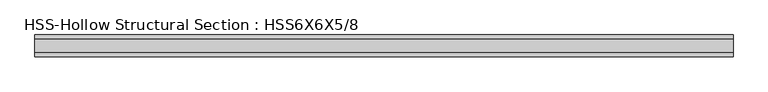
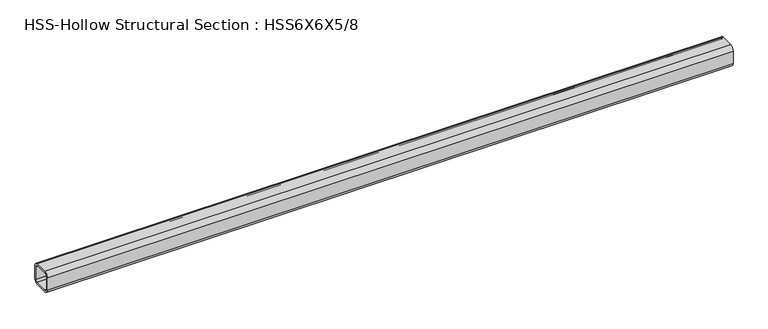
"""IFC4 building model written with IfcOpenShell, lengths in millimetres: beam geometry, HSS-Hollow Structural Section : HSS6X6X5/8."""

from ifc_helpers import new_model, si_unit, point, frame, frame_2d, origin, place, context, project, spatial, polyline, circle_curve, trimmed, segment, composite_curve, outline, extrude, source, transform, mapped, element, save


def hss_hollow_structural_section_hss6x6x5_8_812e03ea(model_context):
    return source(origin(), model_context, "Body", "SweptSolid", [
        extrude(outline(composite_curve([segment(trimmed(circle_curve(frame_2d((-46.6852, 46.6852)), 29.5148), [point((-76.2, 46.6852))], [point((-46.6852, 76.2))], False, "CARTESIAN"), True, "CONTINUOUS"), segment(polyline([(-46.6852, 76.2), (46.6852, 76.2)]), True, "CONTINUOUS"), segment(trimmed(circle_curve(frame_2d((46.6852, 46.6852)), 29.5148), [point((46.6852, 76.2))], [point((76.2, 46.6852))], False, "CARTESIAN"), True, "CONTINUOUS"), segment(polyline([(76.2, 46.6852), (76.2, -46.6852)]), True, "CONTINUOUS"), segment(trimmed(circle_curve(frame_2d((46.6852, -46.6852)), 29.5148), [point((76.2, -46.6852))], [point((46.6852, -76.2))], False, "CARTESIAN"), True, "CONTINUOUS"), segment(polyline([(46.6852, -76.2), (-46.6852, -76.2)]), True, "CONTINUOUS"), segment(trimmed(circle_curve(frame_2d((-46.6852, -46.6852)), 29.5148), [point((-46.6852, -76.2))], [point((-76.2, -46.6852))], False, "CARTESIAN"), True, "CONTINUOUS"), segment(polyline([(-76.2, -46.6852), (-76.2, 46.6852)]), True, "CONTINUOUS")], self_intersect=False), holes=[composite_curve([segment(polyline([(46.6852, 61.4426), (-46.6852, 61.4426)]), True, "CONTINUOUS"), segment(trimmed(circle_curve(frame_2d((-46.6852, 46.6852)), 14.7574), [point((-46.6852, 61.4426))], [point((-61.4426, 46.6852))], True, "CARTESIAN"), True, "CONTINUOUS"), segment(polyline([(-61.4426, 46.6852), (-61.4426, -46.6852)]), True, "CONTINUOUS"), segment(trimmed(circle_curve(frame_2d((-46.6852, -46.6852)), 14.7574), [point((-61.4426, -46.6852))], [point((-46.6852, -61.4426))], True, "CARTESIAN"), True, "CONTINUOUS"), segment(polyline([(-46.6852, -61.4426), (46.6852, -61.4426)]), True, "CONTINUOUS"), segment(trimmed(circle_curve(frame_2d((46.6852, -46.6852)), 14.7574), [point((46.6852, -61.4426))], [point((61.4426, -46.6852))], True, "CARTESIAN"), True, "CONTINUOUS"), segment(polyline([(61.4426, -46.6852), (61.4426, 46.6852)]), True, "CONTINUOUS"), segment(trimmed(circle_curve(frame_2d((46.6852, 46.6852)), 14.7574), [point((61.4426, 46.6852))], [point((46.6852, 61.4426))], True, "CARTESIAN"), True, "CONTINUOUS")], self_intersect=False)]), frame((-2438.4, 0.0, 0.0), z_axis=(1.0, 0.0, 0.0), x_axis=(0.0, 1.0, 0.0)), (0.0, 0.0, 1.0), 4876.8),
    ])


if __name__ == "__main__":
    model = new_model("IFC4")
    model_context = context("Model", 3, world=origin())
    ifc_project = project(units=[si_unit("LENGTHUNIT", "METRE", prefix="MILLI")], contexts=[model_context])
    site = spatial("IfcSite", under=ifc_project)
    building = spatial("IfcBuilding", under=site)
    placement = place(None, origin())
    hss_hollow_structural_section_hss6x6x5_8_shape = hss_hollow_structural_section_hss6x6x5_8_812e03ea(model_context)
    element("IfcBeam", 1, ObjectType="HSS-Hollow Structural Section : HSS6X6X5/8", at=placement, inside=building, context=model_context, shape_type="MappedRepresentation", body=[
        mapped(hss_hollow_structural_section_hss6x6x5_8_shape, transform((0.0, 0.0, 0.0), x_axis=(1.0, 0.0, 0.0), y_axis=(0.0, 1.0, 0.0), z_axis=(0.0, 0.0, 1.0))),
    ])
    save(model, "model.ifc")
